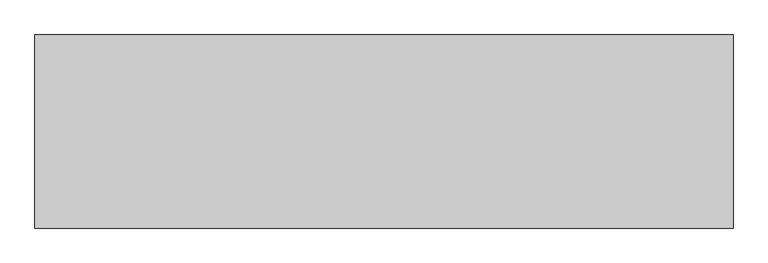
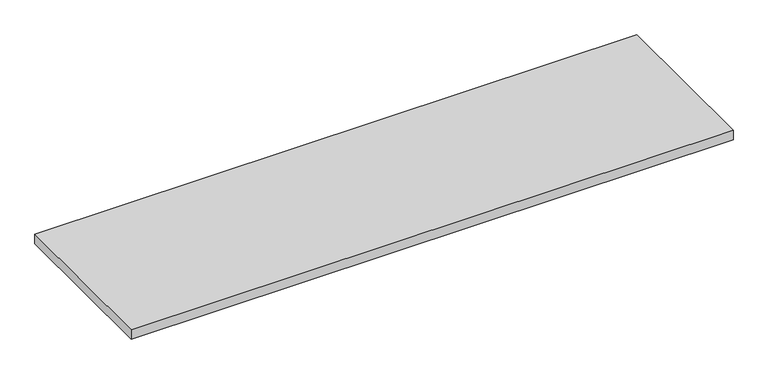
"""IFC4 building model written with IfcOpenShell, lengths in millimetres: furniture geometry."""

from ifc_helpers import new_model, si_unit, frame, origin, place, context, project, spatial, polyline, outline, extrude, source, transform, mapped, element, save


def furniture_30076450(model_context):
    return source(origin(), model_context, "Body", "SweptSolid", [
        extrude(outline(polyline([(1065.276, 833.501), (1065.276, 328.549), (-760.476, 328.549), (-760.476, 833.501), (1065.276, 833.501)])), frame((0.0, 0.0, 726.059), z_axis=(0.0, 0.0, 1.0), x_axis=(1.0, 0.0, 0.0)), (0.0, 0.0, 1.0), 29.591),
    ])


if __name__ == "__main__":
    model = new_model("IFC4")
    model_context = context("Model", 3, world=origin())
    ifc_project = project(units=[si_unit("LENGTHUNIT", "METRE", prefix="MILLI")], contexts=[model_context])
    site = spatial("IfcSite", under=ifc_project)
    building = spatial("IfcBuilding", under=site)
    placement = place(None, origin())
    furniture_shape = furniture_30076450(model_context)
    element("IfcFurniture", 1, at=placement, inside=building, context=model_context, shape_type="MappedRepresentation", body=[
        mapped(furniture_shape, transform((0.0, 0.0, 0.0), x_axis=(1.0, 0.0, 0.0), y_axis=(0.0, 1.0, 0.0), z_axis=(0.0, 0.0, 1.0))),
    ])
    save(model, "model.ifc")
